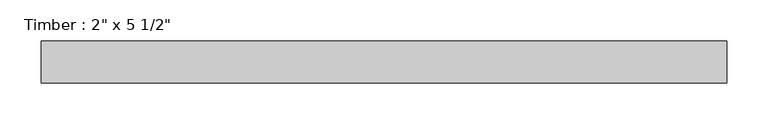
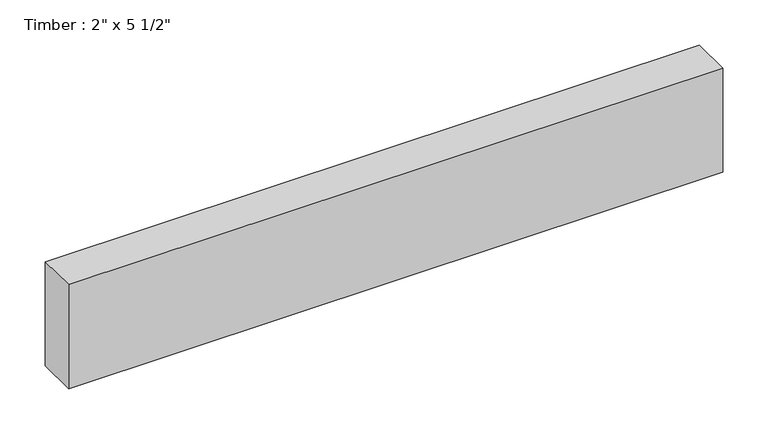
"""IFC4 building model written with IfcOpenShell, lengths in millimetres: beam geometry."""

from ifc_helpers import new_model, si_unit, frame, origin, place, context, project, spatial, polyline, outline, extrude, source, transform, mapped, element, save


def beam_ad6fee05(model_context):
    return source(origin(), model_context, "Body", "SweptSolid", [
        extrude(outline(polyline([(416.9538849, 25.4), (416.9538849, -25.4), (-413.5062667, -25.4), (-413.5062667, 25.4), (416.9538849, 25.4)])), frame((0.0, 0.0, -69.85), z_axis=(0.0, 0.0, 1.0), x_axis=(1.0, 0.0, 0.0)), (0.0, 0.0, 1.0), 139.7),
    ])


if __name__ == "__main__":
    model = new_model("IFC4")
    model_context = context("Model", 3, world=origin())
    ifc_project = project(units=[si_unit("LENGTHUNIT", "METRE", prefix="MILLI")], contexts=[model_context])
    site = spatial("IfcSite", under=ifc_project)
    building = spatial("IfcBuilding", under=site)
    placement = place(None, origin())
    beam_shape = beam_ad6fee05(model_context)
    element("IfcBeam", 1, ObjectType="Timber : 2\" x 5 1/2\"", at=placement, inside=building, context=model_context, shape_type="MappedRepresentation", body=[
        mapped(beam_shape, transform((0.0, 0.0, 0.0), x_axis=(1.0, 0.0, 0.0), y_axis=(0.0, 1.0, 0.0), z_axis=(0.0, 0.0, 1.0))),
    ])
    save(model, "model.ifc")
